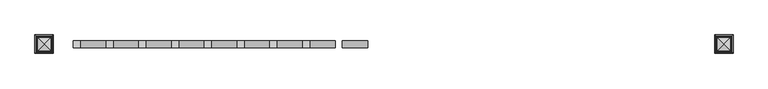
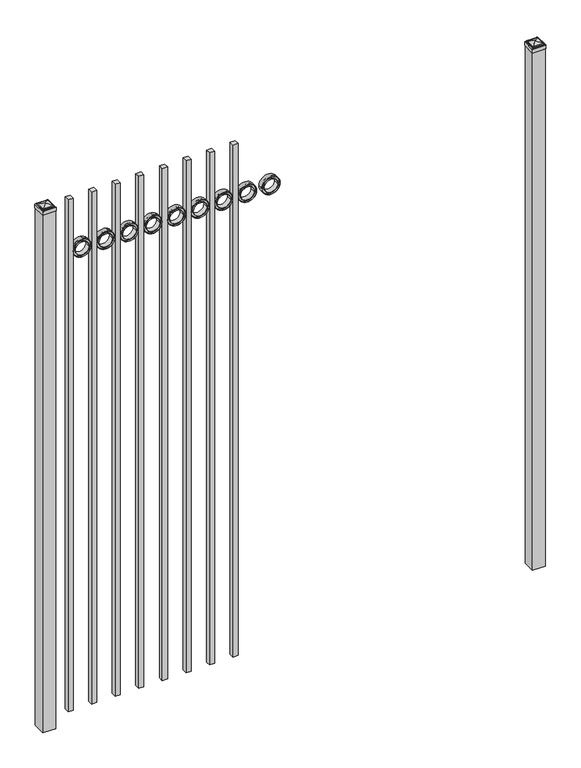
"""IFC4 building model written with IfcOpenShell, lengths in millimetres: railing geometry."""

from ifc_helpers import new_model, si_unit, point, frame, frame_2d, origin, origin_with_axes, place, context, project, spatial, polyline, circle_curve, ellipse_curve, trimmed, segment, composite_curve, outline, extrude, source, transform, mapped, element, save
from ifc_brep_helpers import plane_surface, cylinder_surface, advanced_brep


def railing_2a1493ac(model_context):
    return source(origin(), model_context, "Body", "SolidModel", [
        extrude(outline(composite_curve([segment(trimmed(circle_curve(frame_2d((2464.6040076, 12601.0088655)), 45.6988591), [point((2464.6040076, 12646.7077246))], [point((2464.6040076, 12555.3100064))], False, "CARTESIAN"), True, "CONTINUOUS"), segment(trimmed(circle_curve(frame_2d((2464.6040076, 12601.0088655)), 45.6988591), [point((2464.6040076, 12555.3100064))], [point((2464.6040076, 12646.7077246))], False, "CARTESIAN"), True, "CONTINUOUS")], self_intersect=False), holes=[composite_curve([segment(trimmed(circle_curve(frame_2d((2464.6040076, 12601.0088655)), 44.101539), [point((2464.6040076, 12645.1104045))], [point((2464.6040076, 12556.9073265))], True, "CARTESIAN"), True, "CONTINUOUS"), segment(trimmed(circle_curve(frame_2d((2464.6040076, 12601.0088655)), 44.101539), [point((2464.6040076, 12556.9073265))], [point((2464.6040076, 12645.1104045))], True, "CARTESIAN"), True, "CONTINUOUS")], self_intersect=False)]), frame((0.0, 5784.219541, 0.0), z_axis=(0.0, 1.0, 0.0), x_axis=(0.0, 0.0, 1.0)), (0.0, 0.0, 1.0), 25.4),
        extrude(outline(composite_curve([segment(trimmed(circle_curve(frame_2d((2464.6040076, 12601.0088655)), 34.6370762), [point((2464.6040076, 12635.6459417))], [point((2464.6040076, 12566.3717893))], False, "CARTESIAN"), True, "CONTINUOUS"), segment(trimmed(circle_curve(frame_2d((2464.6040076, 12601.0088655)), 34.6370762), [point((2464.6040076, 12566.3717893))], [point((2464.6040076, 12635.6459417))], False, "CARTESIAN"), True, "CONTINUOUS")], self_intersect=False), holes=[composite_curve([segment(trimmed(circle_curve(frame_2d((2464.6040076, 12601.0088655)), 33.0443887), [point((2464.6040076, 12634.0532542))], [point((2464.6040076, 12567.9644768))], True, "CARTESIAN"), True, "CONTINUOUS"), segment(trimmed(circle_curve(frame_2d((2464.6040076, 12601.0088655)), 33.0443887), [point((2464.6040076, 12567.9644768))], [point((2464.6040076, 12634.0532542))], True, "CARTESIAN"), True, "CONTINUOUS")], self_intersect=False)]), frame((0.0, 5784.219541, 0.0), z_axis=(0.0, 1.0, 0.0), x_axis=(0.0, 0.0, 1.0)), (0.0, 0.0, 1.0), 25.4),
        extrude(outline(composite_curve([segment(trimmed(circle_curve(frame_2d((2464.6040076, 12601.0088655)), 45.6988591), [point((2464.6040076, 12646.7077246))], [point((2464.6040076, 12555.3100064))], False, "CARTESIAN"), True, "CONTINUOUS"), segment(trimmed(circle_curve(frame_2d((2464.6040076, 12601.0088655)), 45.6988591), [point((2464.6040076, 12555.3100064))], [point((2464.6040076, 12646.7077246))], False, "CARTESIAN"), True, "CONTINUOUS")], self_intersect=False), holes=[composite_curve([segment(trimmed(circle_curve(frame_2d((2464.6040076, 12601.0088655)), 33.0443887), [point((2464.6040076, 12634.0532542))], [point((2464.6040076, 12567.9644768))], True, "CARTESIAN"), True, "CONTINUOUS"), segment(trimmed(circle_curve(frame_2d((2464.6040076, 12601.0088655)), 33.0443887), [point((2464.6040076, 12567.9644768))], [point((2464.6040076, 12634.0532542))], True, "CARTESIAN"), True, "CONTINUOUS")], self_intersect=False)]), frame((0.0, 5790.569541, 0.0), z_axis=(0.0, 1.0, 0.0), x_axis=(0.0, 0.0, 1.0)), (0.0, 0.0, 1.0), 12.7),
        extrude(outline(polyline([(12412.4350064, 5809.619541), (12437.8350064, 5809.619541), (12437.8350064, 5784.219541), (12412.4350064, 5784.219541), (12412.4350064, 5809.619541)])), frame((0.0, 0.0, 50.8), z_axis=(0.0, 0.0, 1.0), x_axis=(1.0, 0.0, 0.0)), (0.0, 0.0, 1.0), 2692.4),
        extrude(outline(composite_curve([segment(trimmed(circle_curve(frame_2d((2464.6040076, 12483.5338655)), 45.6988591), [point((2464.6040076, 12529.2327246))], [point((2464.6040076, 12437.8350064))], False, "CARTESIAN"), True, "CONTINUOUS"), segment(trimmed(circle_curve(frame_2d((2464.6040076, 12483.5338655)), 45.6988591), [point((2464.6040076, 12437.8350064))], [point((2464.6040076, 12529.2327246))], False, "CARTESIAN"), True, "CONTINUOUS")], self_intersect=False), holes=[composite_curve([segment(trimmed(circle_curve(frame_2d((2464.6040076, 12483.5338655)), 44.101539), [point((2464.6040076, 12527.6354045))], [point((2464.6040076, 12439.4323265))], True, "CARTESIAN"), True, "CONTINUOUS"), segment(trimmed(circle_curve(frame_2d((2464.6040076, 12483.5338655)), 44.101539), [point((2464.6040076, 12439.4323265))], [point((2464.6040076, 12527.6354045))], True, "CARTESIAN"), True, "CONTINUOUS")], self_intersect=False)]), frame((0.0, 5784.219541, 0.0), z_axis=(0.0, 1.0, 0.0), x_axis=(0.0, 0.0, 1.0)), (0.0, 0.0, 1.0), 25.4),
        extrude(outline(composite_curve([segment(trimmed(circle_curve(frame_2d((2464.6040076, 12483.5338655)), 34.6370762), [point((2464.6040076, 12518.1709417))], [point((2464.6040076, 12448.8967893))], False, "CARTESIAN"), True, "CONTINUOUS"), segment(trimmed(circle_curve(frame_2d((2464.6040076, 12483.5338655)), 34.6370762), [point((2464.6040076, 12448.8967893))], [point((2464.6040076, 12518.1709417))], False, "CARTESIAN"), True, "CONTINUOUS")], self_intersect=False), holes=[composite_curve([segment(trimmed(circle_curve(frame_2d((2464.6040076, 12483.5338655)), 33.0443887), [point((2464.6040076, 12516.5782542))], [point((2464.6040076, 12450.4894768))], True, "CARTESIAN"), True, "CONTINUOUS"), segment(trimmed(circle_curve(frame_2d((2464.6040076, 12483.5338655)), 33.0443887), [point((2464.6040076, 12450.4894768))], [point((2464.6040076, 12516.5782542))], True, "CARTESIAN"), True, "CONTINUOUS")], self_intersect=False)]), frame((0.0, 5784.219541, 0.0), z_axis=(0.0, 1.0, 0.0), x_axis=(0.0, 0.0, 1.0)), (0.0, 0.0, 1.0), 25.4),
        extrude(outline(composite_curve([segment(trimmed(circle_curve(frame_2d((2464.6040076, 12483.5338655)), 45.6988591), [point((2464.6040076, 12529.2327246))], [point((2464.6040076, 12437.8350064))], False, "CARTESIAN"), True, "CONTINUOUS"), segment(trimmed(circle_curve(frame_2d((2464.6040076, 12483.5338655)), 45.6988591), [point((2464.6040076, 12437.8350064))], [point((2464.6040076, 12529.2327246))], False, "CARTESIAN"), True, "CONTINUOUS")], self_intersect=False), holes=[composite_curve([segment(trimmed(circle_curve(frame_2d((2464.6040076, 12483.5338655)), 33.0443887), [point((2464.6040076, 12516.5782542))], [point((2464.6040076, 12450.4894768))], True, "CARTESIAN"), True, "CONTINUOUS"), segment(trimmed(circle_curve(frame_2d((2464.6040076, 12483.5338655)), 33.0443887), [point((2464.6040076, 12450.4894768))], [point((2464.6040076, 12516.5782542))], True, "CARTESIAN"), True, "CONTINUOUS")], self_intersect=False)]), frame((0.0, 5790.569541, 0.0), z_axis=(0.0, 1.0, 0.0), x_axis=(0.0, 0.0, 1.0)), (0.0, 0.0, 1.0), 12.7),
        extrude(outline(polyline([(12294.9600064, 5809.619541), (12320.3600064, 5809.619541), (12320.3600064, 5784.219541), (12294.9600064, 5784.219541), (12294.9600064, 5809.619541)])), frame((0.0, 0.0, 50.8), z_axis=(0.0, 0.0, 1.0), x_axis=(1.0, 0.0, 0.0)), (0.0, 0.0, 1.0), 2692.4),
        extrude(outline(composite_curve([segment(trimmed(circle_curve(frame_2d((2464.6040076, 12366.0588655)), 45.6988591), [point((2464.6040076, 12411.7577246))], [point((2464.6040076, 12320.3600064))], False, "CARTESIAN"), True, "CONTINUOUS"), segment(trimmed(circle_curve(frame_2d((2464.6040076, 12366.0588655)), 45.6988591), [point((2464.6040076, 12320.3600064))], [point((2464.6040076, 12411.7577246))], False, "CARTESIAN"), True, "CONTINUOUS")], self_intersect=False), holes=[composite_curve([segment(trimmed(circle_curve(frame_2d((2464.6040076, 12366.0588655)), 44.101539), [point((2464.6040076, 12410.1604045))], [point((2464.6040076, 12321.9573265))], True, "CARTESIAN"), True, "CONTINUOUS"), segment(trimmed(circle_curve(frame_2d((2464.6040076, 12366.0588655)), 44.101539), [point((2464.6040076, 12321.9573265))], [point((2464.6040076, 12410.1604045))], True, "CARTESIAN"), True, "CONTINUOUS")], self_intersect=False)]), frame((0.0, 5784.219541, 0.0), z_axis=(0.0, 1.0, 0.0), x_axis=(0.0, 0.0, 1.0)), (0.0, 0.0, 1.0), 25.4),
        extrude(outline(composite_curve([segment(trimmed(circle_curve(frame_2d((2464.6040076, 12366.0588655)), 34.6370762), [point((2464.6040076, 12400.6959417))], [point((2464.6040076, 12331.4217893))], False, "CARTESIAN"), True, "CONTINUOUS"), segment(trimmed(circle_curve(frame_2d((2464.6040076, 12366.0588655)), 34.6370762), [point((2464.6040076, 12331.4217893))], [point((2464.6040076, 12400.6959417))], False, "CARTESIAN"), True, "CONTINUOUS")], self_intersect=False), holes=[composite_curve([segment(trimmed(circle_curve(frame_2d((2464.6040076, 12366.0588655)), 33.0443887), [point((2464.6040076, 12399.1032542))], [point((2464.6040076, 12333.0144768))], True, "CARTESIAN"), True, "CONTINUOUS"), segment(trimmed(circle_curve(frame_2d((2464.6040076, 12366.0588655)), 33.0443887), [point((2464.6040076, 12333.0144768))], [point((2464.6040076, 12399.1032542))], True, "CARTESIAN"), True, "CONTINUOUS")], self_intersect=False)]), frame((0.0, 5784.219541, 0.0), z_axis=(0.0, 1.0, 0.0), x_axis=(0.0, 0.0, 1.0)), (0.0, 0.0, 1.0), 25.4),
        extrude(outline(composite_curve([segment(trimmed(circle_curve(frame_2d((2464.6040076, 12366.0588655)), 45.6988591), [point((2464.6040076, 12411.7577246))], [point((2464.6040076, 12320.3600064))], False, "CARTESIAN"), True, "CONTINUOUS"), segment(trimmed(circle_curve(frame_2d((2464.6040076, 12366.0588655)), 45.6988591), [point((2464.6040076, 12320.3600064))], [point((2464.6040076, 12411.7577246))], False, "CARTESIAN"), True, "CONTINUOUS")], self_intersect=False), holes=[composite_curve([segment(trimmed(circle_curve(frame_2d((2464.6040076, 12366.0588655)), 33.0443887), [point((2464.6040076, 12399.1032542))], [point((2464.6040076, 12333.0144768))], True, "CARTESIAN"), True, "CONTINUOUS"), segment(trimmed(circle_curve(frame_2d((2464.6040076, 12366.0588655)), 33.0443887), [point((2464.6040076, 12333.0144768))], [point((2464.6040076, 12399.1032542))], True, "CARTESIAN"), True, "CONTINUOUS")], self_intersect=False)]), frame((0.0, 5790.569541, 0.0), z_axis=(0.0, 1.0, 0.0), x_axis=(0.0, 0.0, 1.0)), (0.0, 0.0, 1.0), 12.7),
        extrude(outline(polyline([(12177.4850064, 5809.619541), (12202.8850064, 5809.619541), (12202.8850064, 5784.219541), (12177.4850064, 5784.219541), (12177.4850064, 5809.619541)])), frame((0.0, 0.0, 50.8), z_axis=(0.0, 0.0, 1.0), x_axis=(1.0, 0.0, 0.0)), (0.0, 0.0, 1.0), 2692.4),
        extrude(outline(composite_curve([segment(trimmed(circle_curve(frame_2d((2464.6040076, 12248.5838655)), 45.6988591), [point((2464.6040076, 12294.2827246))], [point((2464.6040076, 12202.8850064))], False, "CARTESIAN"), True, "CONTINUOUS"), segment(trimmed(circle_curve(frame_2d((2464.6040076, 12248.5838655)), 45.6988591), [point((2464.6040076, 12202.8850064))], [point((2464.6040076, 12294.2827246))], False, "CARTESIAN"), True, "CONTINUOUS")], self_intersect=False), holes=[composite_curve([segment(trimmed(circle_curve(frame_2d((2464.6040076, 12248.5838655)), 44.101539), [point((2464.6040076, 12292.6854045))], [point((2464.6040076, 12204.4823265))], True, "CARTESIAN"), True, "CONTINUOUS"), segment(trimmed(circle_curve(frame_2d((2464.6040076, 12248.5838655)), 44.101539), [point((2464.6040076, 12204.4823265))], [point((2464.6040076, 12292.6854045))], True, "CARTESIAN"), True, "CONTINUOUS")], self_intersect=False)]), frame((0.0, 5784.219541, 0.0), z_axis=(0.0, 1.0, 0.0), x_axis=(0.0, 0.0, 1.0)), (0.0, 0.0, 1.0), 25.4),
        extrude(outline(composite_curve([segment(trimmed(circle_curve(frame_2d((2464.6040076, 12248.5838655)), 34.6370762), [point((2464.6040076, 12283.2209417))], [point((2464.6040076, 12213.9467893))], False, "CARTESIAN"), True, "CONTINUOUS"), segment(trimmed(circle_curve(frame_2d((2464.6040076, 12248.5838655)), 34.6370762), [point((2464.6040076, 12213.9467893))], [point((2464.6040076, 12283.2209417))], False, "CARTESIAN"), True, "CONTINUOUS")], self_intersect=False), holes=[composite_curve([segment(trimmed(circle_curve(frame_2d((2464.6040076, 12248.5838655)), 33.0443887), [point((2464.6040076, 12281.6282542))], [point((2464.6040076, 12215.5394768))], True, "CARTESIAN"), True, "CONTINUOUS"), segment(trimmed(circle_curve(frame_2d((2464.6040076, 12248.5838655)), 33.0443887), [point((2464.6040076, 12215.5394768))], [point((2464.6040076, 12281.6282542))], True, "CARTESIAN"), True, "CONTINUOUS")], self_intersect=False)]), frame((0.0, 5784.219541, 0.0), z_axis=(0.0, 1.0, 0.0), x_axis=(0.0, 0.0, 1.0)), (0.0, 0.0, 1.0), 25.4),
        extrude(outline(composite_curve([segment(trimmed(circle_curve(frame_2d((2464.6040076, 12248.5838655)), 45.6988591), [point((2464.6040076, 12294.2827246))], [point((2464.6040076, 12202.8850064))], False, "CARTESIAN"), True, "CONTINUOUS"), segment(trimmed(circle_curve(frame_2d((2464.6040076, 12248.5838655)), 45.6988591), [point((2464.6040076, 12202.8850064))], [point((2464.6040076, 12294.2827246))], False, "CARTESIAN"), True, "CONTINUOUS")], self_intersect=False), holes=[composite_curve([segment(trimmed(circle_curve(frame_2d((2464.6040076, 12248.5838655)), 33.0443887), [point((2464.6040076, 12281.6282542))], [point((2464.6040076, 12215.5394768))], True, "CARTESIAN"), True, "CONTINUOUS"), segment(trimmed(circle_curve(frame_2d((2464.6040076, 12248.5838655)), 33.0443887), [point((2464.6040076, 12215.5394768))], [point((2464.6040076, 12281.6282542))], True, "CARTESIAN"), True, "CONTINUOUS")], self_intersect=False)]), frame((0.0, 5790.569541, 0.0), z_axis=(0.0, 1.0, 0.0), x_axis=(0.0, 0.0, 1.0)), (0.0, 0.0, 1.0), 12.7),
        extrude(outline(polyline([(12060.0100064, 5809.619541), (12085.4100064, 5809.619541), (12085.4100064, 5784.219541), (12060.0100064, 5784.219541), (12060.0100064, 5809.619541)])), frame((0.0, 0.0, 50.8), z_axis=(0.0, 0.0, 1.0), x_axis=(1.0, 0.0, 0.0)), (0.0, 0.0, 1.0), 2692.4),
        extrude(outline(composite_curve([segment(trimmed(circle_curve(frame_2d((2464.6040076, 12131.1088655)), 45.6988591), [point((2464.6040076, 12176.8077246))], [point((2464.6040076, 12085.4100064))], False, "CARTESIAN"), True, "CONTINUOUS"), segment(trimmed(circle_curve(frame_2d((2464.6040076, 12131.1088655)), 45.6988591), [point((2464.6040076, 12085.4100064))], [point((2464.6040076, 12176.8077246))], False, "CARTESIAN"), True, "CONTINUOUS")], self_intersect=False), holes=[composite_curve([segment(trimmed(circle_curve(frame_2d((2464.6040076, 12131.1088655)), 44.101539), [point((2464.6040076, 12175.2104045))], [point((2464.6040076, 12087.0073265))], True, "CARTESIAN"), True, "CONTINUOUS"), segment(trimmed(circle_curve(frame_2d((2464.6040076, 12131.1088655)), 44.101539), [point((2464.6040076, 12087.0073265))], [point((2464.6040076, 12175.2104045))], True, "CARTESIAN"), True, "CONTINUOUS")], self_intersect=False)]), frame((0.0, 5784.219541, 0.0), z_axis=(0.0, 1.0, 0.0), x_axis=(0.0, 0.0, 1.0)), (0.0, 0.0, 1.0), 25.4),
        extrude(outline(composite_curve([segment(trimmed(circle_curve(frame_2d((2464.6040076, 12131.1088655)), 34.6370762), [point((2464.6040076, 12165.7459417))], [point((2464.6040076, 12096.4717893))], False, "CARTESIAN"), True, "CONTINUOUS"), segment(trimmed(circle_curve(frame_2d((2464.6040076, 12131.1088655)), 34.6370762), [point((2464.6040076, 12096.4717893))], [point((2464.6040076, 12165.7459417))], False, "CARTESIAN"), True, "CONTINUOUS")], self_intersect=False), holes=[composite_curve([segment(trimmed(circle_curve(frame_2d((2464.6040076, 12131.1088655)), 33.0443887), [point((2464.6040076, 12164.1532542))], [point((2464.6040076, 12098.0644768))], True, "CARTESIAN"), True, "CONTINUOUS"), segment(trimmed(circle_curve(frame_2d((2464.6040076, 12131.1088655)), 33.0443887), [point((2464.6040076, 12098.0644768))], [point((2464.6040076, 12164.1532542))], True, "CARTESIAN"), True, "CONTINUOUS")], self_intersect=False)]), frame((0.0, 5784.219541, 0.0), z_axis=(0.0, 1.0, 0.0), x_axis=(0.0, 0.0, 1.0)), (0.0, 0.0, 1.0), 25.4),
        extrude(outline(composite_curve([segment(trimmed(circle_curve(frame_2d((2464.6040076, 12131.1088655)), 45.6988591), [point((2464.6040076, 12176.8077246))], [point((2464.6040076, 12085.4100064))], False, "CARTESIAN"), True, "CONTINUOUS"), segment(trimmed(circle_curve(frame_2d((2464.6040076, 12131.1088655)), 45.6988591), [point((2464.6040076, 12085.4100064))], [point((2464.6040076, 12176.8077246))], False, "CARTESIAN"), True, "CONTINUOUS")], self_intersect=False), holes=[composite_curve([segment(trimmed(circle_curve(frame_2d((2464.6040076, 12131.1088655)), 33.0443887), [point((2464.6040076, 12164.1532542))], [point((2464.6040076, 12098.0644768))], True, "CARTESIAN"), True, "CONTINUOUS"), segment(trimmed(circle_curve(frame_2d((2464.6040076, 12131.1088655)), 33.0443887), [point((2464.6040076, 12098.0644768))], [point((2464.6040076, 12164.1532542))], True, "CARTESIAN"), True, "CONTINUOUS")], self_intersect=False)]), frame((0.0, 5790.569541, 0.0), z_axis=(0.0, 1.0, 0.0), x_axis=(0.0, 0.0, 1.0)), (0.0, 0.0, 1.0), 12.7),
        extrude(outline(polyline([(11942.5350064, 5809.619541), (11967.9350064, 5809.619541), (11967.9350064, 5784.219541), (11942.5350064, 5784.219541), (11942.5350064, 5809.619541)])), frame((0.0, 0.0, 50.8), z_axis=(0.0, 0.0, 1.0), x_axis=(1.0, 0.0, 0.0)), (0.0, 0.0, 1.0), 2692.4),
        extrude(outline(composite_curve([segment(trimmed(circle_curve(frame_2d((2464.6040076, 12013.6338655)), 45.6988591), [point((2464.6040076, 12059.3327246))], [point((2464.6040076, 11967.9350064))], False, "CARTESIAN"), True, "CONTINUOUS"), segment(trimmed(circle_curve(frame_2d((2464.6040076, 12013.6338655)), 45.6988591), [point((2464.6040076, 11967.9350064))], [point((2464.6040076, 12059.3327246))], False, "CARTESIAN"), True, "CONTINUOUS")], self_intersect=False), holes=[composite_curve([segment(trimmed(circle_curve(frame_2d((2464.6040076, 12013.6338655)), 44.101539), [point((2464.6040076, 12057.7354045))], [point((2464.6040076, 11969.5323265))], True, "CARTESIAN"), True, "CONTINUOUS"), segment(trimmed(circle_curve(frame_2d((2464.6040076, 12013.6338655)), 44.101539), [point((2464.6040076, 11969.5323265))], [point((2464.6040076, 12057.7354045))], True, "CARTESIAN"), True, "CONTINUOUS")], self_intersect=False)]), frame((0.0, 5784.219541, 0.0), z_axis=(0.0, 1.0, 0.0), x_axis=(0.0, 0.0, 1.0)), (0.0, 0.0, 1.0), 25.4),
        extrude(outline(composite_curve([segment(trimmed(circle_curve(frame_2d((2464.6040076, 12013.6338655)), 34.6370762), [point((2464.6040076, 12048.2709417))], [point((2464.6040076, 11978.9967893))], False, "CARTESIAN"), True, "CONTINUOUS"), segment(trimmed(circle_curve(frame_2d((2464.6040076, 12013.6338655)), 34.6370762), [point((2464.6040076, 11978.9967893))], [point((2464.6040076, 12048.2709417))], False, "CARTESIAN"), True, "CONTINUOUS")], self_intersect=False), holes=[composite_curve([segment(trimmed(circle_curve(frame_2d((2464.6040076, 12013.6338655)), 33.0443887), [point((2464.6040076, 12046.6782542))], [point((2464.6040076, 11980.5894768))], True, "CARTESIAN"), True, "CONTINUOUS"), segment(trimmed(circle_curve(frame_2d((2464.6040076, 12013.6338655)), 33.0443887), [point((2464.6040076, 11980.5894768))], [point((2464.6040076, 12046.6782542))], True, "CARTESIAN"), True, "CONTINUOUS")], self_intersect=False)]), frame((0.0, 5784.219541, 0.0), z_axis=(0.0, 1.0, 0.0), x_axis=(0.0, 0.0, 1.0)), (0.0, 0.0, 1.0), 25.4),
        extrude(outline(composite_curve([segment(trimmed(circle_curve(frame_2d((2464.6040076, 12013.6338655)), 45.6988591), [point((2464.6040076, 12059.3327246))], [point((2464.6040076, 11967.9350064))], False, "CARTESIAN"), True, "CONTINUOUS"), segment(trimmed(circle_curve(frame_2d((2464.6040076, 12013.6338655)), 45.6988591), [point((2464.6040076, 11967.9350064))], [point((2464.6040076, 12059.3327246))], False, "CARTESIAN"), True, "CONTINUOUS")], self_intersect=False), holes=[composite_curve([segment(trimmed(circle_curve(frame_2d((2464.6040076, 12013.6338655)), 33.0443887), [point((2464.6040076, 12046.6782542))], [point((2464.6040076, 11980.5894768))], True, "CARTESIAN"), True, "CONTINUOUS"), segment(trimmed(circle_curve(frame_2d((2464.6040076, 12013.6338655)), 33.0443887), [point((2464.6040076, 11980.5894768))], [point((2464.6040076, 12046.6782542))], True, "CARTESIAN"), True, "CONTINUOUS")], self_intersect=False)]), frame((0.0, 5790.569541, 0.0), z_axis=(0.0, 1.0, 0.0), x_axis=(0.0, 0.0, 1.0)), (0.0, 0.0, 1.0), 12.7),
        extrude(outline(polyline([(11825.0600064, 5809.619541), (11850.4600064, 5809.619541), (11850.4600064, 5784.219541), (11825.0600064, 5784.219541), (11825.0600064, 5809.619541)])), frame((0.0, 0.0, 50.8), z_axis=(0.0, 0.0, 1.0), x_axis=(1.0, 0.0, 0.0)), (0.0, 0.0, 1.0), 2692.4),
        extrude(outline(composite_curve([segment(trimmed(circle_curve(frame_2d((2464.6040076, 11896.1588655)), 45.6988591), [point((2464.6040076, 11941.8577246))], [point((2464.6040076, 11850.4600064))], False, "CARTESIAN"), True, "CONTINUOUS"), segment(trimmed(circle_curve(frame_2d((2464.6040076, 11896.1588655)), 45.6988591), [point((2464.6040076, 11850.4600064))], [point((2464.6040076, 11941.8577246))], False, "CARTESIAN"), True, "CONTINUOUS")], self_intersect=False), holes=[composite_curve([segment(trimmed(circle_curve(frame_2d((2464.6040076, 11896.1588655)), 44.101539), [point((2464.6040076, 11940.2604045))], [point((2464.6040076, 11852.0573265))], True, "CARTESIAN"), True, "CONTINUOUS"), segment(trimmed(circle_curve(frame_2d((2464.6040076, 11896.1588655)), 44.101539), [point((2464.6040076, 11852.0573265))], [point((2464.6040076, 11940.2604045))], True, "CARTESIAN"), True, "CONTINUOUS")], self_intersect=False)]), frame((0.0, 5784.219541, 0.0), z_axis=(0.0, 1.0, 0.0), x_axis=(0.0, 0.0, 1.0)), (0.0, 0.0, 1.0), 25.4),
        extrude(outline(composite_curve([segment(trimmed(circle_curve(frame_2d((2464.6040076, 11896.1588655)), 34.6370762), [point((2464.6040076, 11930.7959417))], [point((2464.6040076, 11861.5217893))], False, "CARTESIAN"), True, "CONTINUOUS"), segment(trimmed(circle_curve(frame_2d((2464.6040076, 11896.1588655)), 34.6370762), [point((2464.6040076, 11861.5217893))], [point((2464.6040076, 11930.7959417))], False, "CARTESIAN"), True, "CONTINUOUS")], self_intersect=False), holes=[composite_curve([segment(trimmed(circle_curve(frame_2d((2464.6040076, 11896.1588655)), 33.0443887), [point((2464.6040076, 11929.2032542))], [point((2464.6040076, 11863.1144768))], True, "CARTESIAN"), True, "CONTINUOUS"), segment(trimmed(circle_curve(frame_2d((2464.6040076, 11896.1588655)), 33.0443887), [point((2464.6040076, 11863.1144768))], [point((2464.6040076, 11929.2032542))], True, "CARTESIAN"), True, "CONTINUOUS")], self_intersect=False)]), frame((0.0, 5784.219541, 0.0), z_axis=(0.0, 1.0, 0.0), x_axis=(0.0, 0.0, 1.0)), (0.0, 0.0, 1.0), 25.4),
        extrude(outline(composite_curve([segment(trimmed(circle_curve(frame_2d((2464.6040076, 11896.1588655)), 45.6988591), [point((2464.6040076, 11941.8577246))], [point((2464.6040076, 11850.4600064))], False, "CARTESIAN"), True, "CONTINUOUS"), segment(trimmed(circle_curve(frame_2d((2464.6040076, 11896.1588655)), 45.6988591), [point((2464.6040076, 11850.4600064))], [point((2464.6040076, 11941.8577246))], False, "CARTESIAN"), True, "CONTINUOUS")], self_intersect=False), holes=[composite_curve([segment(trimmed(circle_curve(frame_2d((2464.6040076, 11896.1588655)), 33.0443887), [point((2464.6040076, 11929.2032542))], [point((2464.6040076, 11863.1144768))], True, "CARTESIAN"), True, "CONTINUOUS"), segment(trimmed(circle_curve(frame_2d((2464.6040076, 11896.1588655)), 33.0443887), [point((2464.6040076, 11863.1144768))], [point((2464.6040076, 11929.2032542))], True, "CARTESIAN"), True, "CONTINUOUS")], self_intersect=False)]), frame((0.0, 5790.569541, 0.0), z_axis=(0.0, 1.0, 0.0), x_axis=(0.0, 0.0, 1.0)), (0.0, 0.0, 1.0), 12.7),
        extrude(outline(polyline([(11707.5850064, 5809.619541), (11732.9850064, 5809.619541), (11732.9850064, 5784.219541), (11707.5850064, 5784.219541), (11707.5850064, 5809.619541)])), frame((0.0, 0.0, 50.8), z_axis=(0.0, 0.0, 1.0), x_axis=(1.0, 0.0, 0.0)), (0.0, 0.0, 1.0), 2692.4),
        extrude(outline(composite_curve([segment(trimmed(circle_curve(frame_2d((2464.6040076, 11778.6838655)), 45.6988591), [point((2464.6040076, 11824.3827246))], [point((2464.6040076, 11732.9850064))], False, "CARTESIAN"), True, "CONTINUOUS"), segment(trimmed(circle_curve(frame_2d((2464.6040076, 11778.6838655)), 45.6988591), [point((2464.6040076, 11732.9850064))], [point((2464.6040076, 11824.3827246))], False, "CARTESIAN"), True, "CONTINUOUS")], self_intersect=False), holes=[composite_curve([segment(trimmed(circle_curve(frame_2d((2464.6040076, 11778.6838655)), 44.101539), [point((2464.6040076, 11822.7854045))], [point((2464.6040076, 11734.5823265))], True, "CARTESIAN"), True, "CONTINUOUS"), segment(trimmed(circle_curve(frame_2d((2464.6040076, 11778.6838655)), 44.101539), [point((2464.6040076, 11734.5823265))], [point((2464.6040076, 11822.7854045))], True, "CARTESIAN"), True, "CONTINUOUS")], self_intersect=False)]), frame((0.0, 5784.219541, 0.0), z_axis=(0.0, 1.0, 0.0), x_axis=(0.0, 0.0, 1.0)), (0.0, 0.0, 1.0), 25.4),
        extrude(outline(composite_curve([segment(trimmed(circle_curve(frame_2d((2464.6040076, 11778.6838655)), 34.6370762), [point((2464.6040076, 11813.3209417))], [point((2464.6040076, 11744.0467893))], False, "CARTESIAN"), True, "CONTINUOUS"), segment(trimmed(circle_curve(frame_2d((2464.6040076, 11778.6838655)), 34.6370762), [point((2464.6040076, 11744.0467893))], [point((2464.6040076, 11813.3209417))], False, "CARTESIAN"), True, "CONTINUOUS")], self_intersect=False), holes=[composite_curve([segment(trimmed(circle_curve(frame_2d((2464.6040076, 11778.6838655)), 33.0443887), [point((2464.6040076, 11811.7282542))], [point((2464.6040076, 11745.6394768))], True, "CARTESIAN"), True, "CONTINUOUS"), segment(trimmed(circle_curve(frame_2d((2464.6040076, 11778.6838655)), 33.0443887), [point((2464.6040076, 11745.6394768))], [point((2464.6040076, 11811.7282542))], True, "CARTESIAN"), True, "CONTINUOUS")], self_intersect=False)]), frame((0.0, 5784.219541, 0.0), z_axis=(0.0, 1.0, 0.0), x_axis=(0.0, 0.0, 1.0)), (0.0, 0.0, 1.0), 25.4),
        extrude(outline(composite_curve([segment(trimmed(circle_curve(frame_2d((2464.6040076, 11778.6838655)), 45.6988591), [point((2464.6040076, 11824.3827246))], [point((2464.6040076, 11732.9850064))], False, "CARTESIAN"), True, "CONTINUOUS"), segment(trimmed(circle_curve(frame_2d((2464.6040076, 11778.6838655)), 45.6988591), [point((2464.6040076, 11732.9850064))], [point((2464.6040076, 11824.3827246))], False, "CARTESIAN"), True, "CONTINUOUS")], self_intersect=False), holes=[composite_curve([segment(trimmed(circle_curve(frame_2d((2464.6040076, 11778.6838655)), 33.0443887), [point((2464.6040076, 11811.7282542))], [point((2464.6040076, 11745.6394768))], True, "CARTESIAN"), True, "CONTINUOUS"), segment(trimmed(circle_curve(frame_2d((2464.6040076, 11778.6838655)), 33.0443887), [point((2464.6040076, 11745.6394768))], [point((2464.6040076, 11811.7282542))], True, "CARTESIAN"), True, "CONTINUOUS")], self_intersect=False)]), frame((0.0, 5790.569541, 0.0), z_axis=(0.0, 1.0, 0.0), x_axis=(0.0, 0.0, 1.0)), (0.0, 0.0, 1.0), 12.7),
        extrude(outline(polyline([(11590.1100064, 5809.619541), (11615.5100064, 5809.619541), (11615.5100064, 5784.219541), (11590.1100064, 5784.219541), (11590.1100064, 5809.619541)])), frame((0.0, 0.0, 50.8), z_axis=(0.0, 0.0, 1.0), x_axis=(1.0, 0.0, 0.0)), (0.0, 0.0, 1.0), 2692.4),
        extrude(outline(composite_curve([segment(trimmed(circle_curve(frame_2d((2464.6040076, 11661.2088655)), 45.6988591), [point((2464.6040076, 11706.9077246))], [point((2464.6040076, 11615.5100064))], False, "CARTESIAN"), True, "CONTINUOUS"), segment(trimmed(circle_curve(frame_2d((2464.6040076, 11661.2088655)), 45.6988591), [point((2464.6040076, 11615.5100064))], [point((2464.6040076, 11706.9077246))], False, "CARTESIAN"), True, "CONTINUOUS")], self_intersect=False), holes=[composite_curve([segment(trimmed(circle_curve(frame_2d((2464.6040076, 11661.2088655)), 44.101539), [point((2464.6040076, 11705.3104045))], [point((2464.6040076, 11617.1073265))], True, "CARTESIAN"), True, "CONTINUOUS"), segment(trimmed(circle_curve(frame_2d((2464.6040076, 11661.2088655)), 44.101539), [point((2464.6040076, 11617.1073265))], [point((2464.6040076, 11705.3104045))], True, "CARTESIAN"), True, "CONTINUOUS")], self_intersect=False)]), frame((0.0, 5784.219541, 0.0), z_axis=(0.0, 1.0, 0.0), x_axis=(0.0, 0.0, 1.0)), (0.0, 0.0, 1.0), 25.4),
        extrude(outline(composite_curve([segment(trimmed(circle_curve(frame_2d((2464.6040076, 11661.2088655)), 34.6370762), [point((2464.6040076, 11695.8459417))], [point((2464.6040076, 11626.5717893))], False, "CARTESIAN"), True, "CONTINUOUS"), segment(trimmed(circle_curve(frame_2d((2464.6040076, 11661.2088655)), 34.6370762), [point((2464.6040076, 11626.5717893))], [point((2464.6040076, 11695.8459417))], False, "CARTESIAN"), True, "CONTINUOUS")], self_intersect=False), holes=[composite_curve([segment(trimmed(circle_curve(frame_2d((2464.6040076, 11661.2088655)), 33.0443887), [point((2464.6040076, 11694.2532542))], [point((2464.6040076, 11628.1644768))], True, "CARTESIAN"), True, "CONTINUOUS"), segment(trimmed(circle_curve(frame_2d((2464.6040076, 11661.2088655)), 33.0443887), [point((2464.6040076, 11628.1644768))], [point((2464.6040076, 11694.2532542))], True, "CARTESIAN"), True, "CONTINUOUS")], self_intersect=False)]), frame((0.0, 5784.219541, 0.0), z_axis=(0.0, 1.0, 0.0), x_axis=(0.0, 0.0, 1.0)), (0.0, 0.0, 1.0), 25.4),
        extrude(outline(composite_curve([segment(trimmed(circle_curve(frame_2d((2464.6040076, 11661.2088655)), 45.6988591), [point((2464.6040076, 11706.9077246))], [point((2464.6040076, 11615.5100064))], False, "CARTESIAN"), True, "CONTINUOUS"), segment(trimmed(circle_curve(frame_2d((2464.6040076, 11661.2088655)), 45.6988591), [point((2464.6040076, 11615.5100064))], [point((2464.6040076, 11706.9077246))], False, "CARTESIAN"), True, "CONTINUOUS")], self_intersect=False), holes=[composite_curve([segment(trimmed(circle_curve(frame_2d((2464.6040076, 11661.2088655)), 33.0443887), [point((2464.6040076, 11694.2532542))], [point((2464.6040076, 11628.1644768))], True, "CARTESIAN"), True, "CONTINUOUS"), segment(trimmed(circle_curve(frame_2d((2464.6040076, 11661.2088655)), 33.0443887), [point((2464.6040076, 11628.1644768))], [point((2464.6040076, 11694.2532542))], True, "CARTESIAN"), True, "CONTINUOUS")], self_intersect=False)]), frame((0.0, 5790.569541, 0.0), z_axis=(0.0, 1.0, 0.0), x_axis=(0.0, 0.0, 1.0)), (0.0, 0.0, 1.0), 12.7),
        extrude(outline(polyline([(13955.4850064, 5828.669541), (13955.4850064, 5765.169541), (13891.9850064, 5765.169541), (13891.9850064, 5828.669541), (13955.4850064, 5828.669541)])), origin_with_axes(), (0.0, 0.0, 1.0), 2722.5625),
        advanced_brep(
        [(13890.3975064, 5830.257041, 2740.81875), (13890.3975064, 5830.257041, 2722.5625), (13890.3975064, 5763.582041, 2722.5625), (13890.3975064, 5763.582041, 2740.81875), (13892.7787564, 5827.875791, 2743.2), (13892.7787564, 5765.963291, 2743.2), (13895.1600064, 5825.494541, 2745.58125), (13895.1600064, 5825.494541, 2743.2), (13895.1600064, 5768.344541, 2743.2), (13895.1600064, 5768.344541, 2745.58125), (13897.5412564, 5823.113291, 2747.9625), (13897.5412564, 5770.725791, 2747.9625), (13923.7350064, 5796.919541, 2754.3125), (13899.9225064, 5820.732041, 2747.9625), (13899.9225064, 5773.107041, 2747.9625), (13957.0725064, 5763.582041, 2722.5625), (13957.0725064, 5763.582041, 2740.81875), (13954.6912564, 5765.963291, 2743.2), (13952.3100064, 5768.344541, 2743.2), (13952.3100064, 5768.344541, 2745.58125), (13949.9287564, 5770.725791, 2747.9625), (13947.5475064, 5773.107041, 2747.9625), (13957.0725064, 5830.257041, 2722.5625), (13957.0725064, 5830.257041, 2740.81875), (13954.6912564, 5827.875791, 2743.2), (13952.3100064, 5825.494541, 2743.2), (13952.3100064, 5825.494541, 2745.58125), (13949.9287564, 5823.113291, 2747.9625), (13947.5475064, 5820.732041, 2747.9625)],
        [
            (0, 1),
            (1, 2),
            (2, 3),
            (3, 0),
            (4, 0, ellipse_curve(frame((13892.7787564, 5827.875791, 2740.81875), z_axis=(-0.70710678118655, -0.7071067811865449, 0.0), x_axis=(-0.7071067811865448, 0.7071067811865501, 0.0)), 3.367596, 2.38125)),
            (3, 5, ellipse_curve(frame((13892.7787564, 5765.963291, 2740.81875), z_axis=(-0.7071067811865449, 0.70710678118655, 0.0), x_axis=(0.7071067811865499, 0.707106781186545, 0.0)), 3.367596, 2.38125)),
            (5, 4),
            (6, 7),
            (7, 8),
            (8, 9),
            (9, 6),
            (10, 6, ellipse_curve(frame((13897.5412564, 5823.113291, 2745.58125), z_axis=(-0.70710678118655, -0.7071067811865449, 0.0), x_axis=(-0.7071067811865448, 0.7071067811865501, 0.0)), 3.367596, 2.38125)),
            (9, 11, ellipse_curve(frame((13897.5412564, 5770.725791, 2745.58125), z_axis=(-0.7071067811865449, 0.70710678118655, 0.0), x_axis=(0.7071067811865499, 0.707106781186545, 0.0)), 3.367596, 2.38125)),
            (11, 10),
            (12, 13, ellipse_curve(frame((13923.7350064, 5796.919541, 2706.4890625), z_axis=(-0.70710678118655, -0.7071067811865449, 0.0), x_axis=(-0.7071067811865448, 0.7071067811865501, 0.0)), 67.6325539, 47.8234375)),
            (13, 14),
            (14, 12, ellipse_curve(frame((13923.7350064, 5796.919541, 2706.4890625), z_axis=(-0.7071067811865449, 0.70710678118655, 0.0), x_axis=(0.7071067811865499, 0.707106781186545, 0.0)), 67.6325539, 47.8234375)),
            (2, 15),
            (15, 16),
            (16, 3),
            (16, 17, ellipse_curve(frame((13954.6912564, 5765.963291, 2740.81875), z_axis=(-0.70710678118655, -0.707106781186545, 0.0), x_axis=(-0.707106781186545, 0.70710678118655, 0.0)), 3.367596, 2.38125)),
            (17, 5),
            (8, 18),
            (18, 19),
            (19, 9),
            (19, 20, ellipse_curve(frame((13949.9287564, 5770.725791, 2745.58125), z_axis=(-0.70710678118655, -0.707106781186545, 0.0), x_axis=(-0.707106781186545, 0.70710678118655, 0.0)), 3.367596, 2.38125)),
            (20, 11),
            (14, 21),
            (21, 12, ellipse_curve(frame((13923.7350064, 5796.919541, 2706.4890625), z_axis=(-0.70710678118655, -0.707106781186545, 0.0), x_axis=(-0.707106781186545, 0.70710678118655, 0.0)), 67.6325539, 47.8234375)),
            (15, 22),
            (22, 23),
            (23, 16),
            (23, 24, ellipse_curve(frame((13954.6912564, 5827.875791, 2740.81875), z_axis=(0.707106781186545, -0.7071067811865499, 0.0), x_axis=(-0.7071067811865497, -0.7071067811865452, 0.0)), 3.367596, 2.38125)),
            (24, 17),
            (18, 25),
            (25, 26),
            (26, 19),
            (26, 27, ellipse_curve(frame((13949.9287564, 5823.113291, 2745.58125), z_axis=(0.707106781186545, -0.7071067811865499, 0.0), x_axis=(-0.7071067811865497, -0.7071067811865452, 0.0)), 3.367596, 2.38125)),
            (27, 20),
            (21, 28),
            (28, 12, ellipse_curve(frame((13923.7350064, 5796.919541, 2706.4890625), z_axis=(0.707106781186545, -0.7071067811865499, 0.0), x_axis=(-0.7071067811865497, -0.7071067811865452, 0.0)), 67.6325539, 47.8234375)),
            (22, 1),
            (0, 23),
            (4, 24),
            (7, 25),
            (6, 26),
            (10, 27),
            (13, 28),
        ],
        [
            plane_surface(frame((13890.3975064, 5830.257041, 2722.5625), z_axis=(-1.0, 0.0, 0.0), x_axis=(0.0, -1.0, 0.0))),
            cylinder_surface(frame((13892.7787564, 5828.669541, 2740.81875), z_axis=(0.0, 1.0, 0.0), x_axis=(1.0, 0.0, 0.0)), 2.38125),
            plane_surface(frame((13895.1600064, 5825.494541, 2743.2), z_axis=(-1.0, 0.0, 0.0), x_axis=(0.0, -1.0, 0.0))),
            cylinder_surface(frame((13897.5412564, 5828.669541, 2745.58125), z_axis=(0.0, 1.0, 0.0), x_axis=(1.0, 0.0, 0.0)), 2.38125),
            cylinder_surface(frame((13923.7350064, 5828.669541, 2706.4890625), z_axis=(0.0, 1.0, 0.0), x_axis=(1.0, 0.0, 0.0)), 47.8234375),
            plane_surface(frame((13890.3975064, 5763.582041, 2722.5625), z_axis=(0.0, -1.0, 0.0), x_axis=(1.0, 0.0, 0.0))),
            cylinder_surface(frame((13891.9850064, 5765.963291, 2740.81875), z_axis=(-1.0, 0.0, 0.0), x_axis=(0.0, 1.0, 0.0)), 2.38125),
            plane_surface(frame((13895.1600064, 5768.344541, 2743.2), z_axis=(0.0, -1.0, 0.0), x_axis=(1.0, 0.0, 0.0))),
            cylinder_surface(frame((13891.9850064, 5770.725791, 2745.58125), z_axis=(-1.0, 0.0, 0.0), x_axis=(0.0, 1.0, 0.0)), 2.38125),
            cylinder_surface(frame((13891.9850064, 5796.919541, 2706.4890625), z_axis=(-1.0, 0.0, 0.0), x_axis=(0.0, 1.0, 0.0)), 47.8234375),
            plane_surface(frame((13957.0725064, 5763.582041, 2722.5625), z_axis=(1.0, 0.0, 0.0), x_axis=(0.0, 1.0, 0.0))),
            cylinder_surface(frame((13954.6912564, 5765.169541, 2740.81875), z_axis=(0.0, -1.0, 0.0), x_axis=(-1.0, 0.0, 0.0)), 2.38125),
            plane_surface(frame((13952.3100064, 5768.344541, 2743.2), z_axis=(1.0, 0.0, 0.0), x_axis=(0.0, 1.0, 0.0))),
            cylinder_surface(frame((13949.9287564, 5765.169541, 2745.58125), z_axis=(0.0, -1.0, 0.0), x_axis=(-1.0, 0.0, 0.0)), 2.38125),
            cylinder_surface(frame((13923.7350064, 5765.169541, 2706.4890625), z_axis=(0.0, -1.0, 0.0), x_axis=(-1.0, 0.0, 0.0)), 47.8234375),
            plane_surface(frame((13957.0725064, 5830.257041, 2722.5625), z_axis=(0.0, 1.0, 0.0), x_axis=(-1.0, 0.0, 0.0))),
            cylinder_surface(frame((13955.4850064, 5827.875791, 2740.81875), z_axis=(1.0, 0.0, 0.0), x_axis=(0.0, -1.0, 0.0)), 2.38125),
            plane_surface(frame((13954.6912564, 5827.875791, 2743.2), z_axis=(0.0, 0.0, 1.0), x_axis=(-1.0, 0.0, 0.0))),
            plane_surface(frame((13952.3100064, 5825.494541, 2743.2), z_axis=(0.0, 1.0, 0.0), x_axis=(-1.0, 0.0, 0.0))),
            cylinder_surface(frame((13955.4850064, 5823.113291, 2745.58125), z_axis=(1.0, 0.0, 0.0), x_axis=(0.0, -1.0, 0.0)), 2.38125),
            plane_surface(frame((13949.9287564, 5823.113291, 2747.9625), z_axis=(0.0, 0.0, 1.0), x_axis=(-1.0, 0.0, 0.0))),
            cylinder_surface(frame((13955.4850064, 5796.919541, 2706.4890625), z_axis=(1.0, 0.0, 0.0), x_axis=(0.0, -1.0, 0.0)), 47.8234375),
            plane_surface(frame((13923.7350064, 5796.919541, 2722.5625), z_axis=(0.0, 0.0, -1.0), x_axis=(-1.0, 0.0, 0.0))),
        ],
        [
            (0, [[1, 2, 3, 4]]),
            (1, [[5, -4, 6, 7]]),
            (2, [[8, 9, 10, 11]]),
            (3, [[12, -11, 13, 14]]),
            (4, [[15, 16, 17]]),
            (5, [[-3, 18, 19, 20]]),
            (6, [[-6, -20, 21, 22]]),
            (7, [[-10, 23, 24, 25]]),
            (8, [[-13, -25, 26, 27]]),
            (9, [[-17, 28, 29]]),
            (10, [[-19, 30, 31, 32]]),
            (11, [[-21, -32, 33, 34]]),
            (12, [[-24, 35, 36, 37]]),
            (13, [[-26, -37, 38, 39]]),
            (14, [[-29, 40, 41]]),
            (15, [[-31, 42, -1, 43]]),
            (16, [[-33, -43, -5, 44]]),
            (17, [[-22, -34, -44, -7], [45, -35, -23, -9]]),
            (18, [[-36, -45, -8, 46]]),
            (19, [[-38, -46, -12, 47]]),
            (20, [[-27, -39, -47, -14], [48, -40, -28, -16]]),
            (21, [[-41, -48, -15]]),
            (22, [[-42, -30, -18, -2]]),
        ],
    ),
        extrude(outline(polyline([(11517.0850064, 5828.669541), (11517.0850064, 5765.169541), (11453.5850064, 5765.169541), (11453.5850064, 5828.669541), (11517.0850064, 5828.669541)])), origin_with_axes(), (0.0, 0.0, 1.0), 2722.5625),
        advanced_brep(
        [(11451.9975064, 5830.257041, 2740.81875), (11451.9975064, 5830.257041, 2722.5625), (11451.9975064, 5763.582041, 2722.5625), (11451.9975064, 5763.582041, 2740.81875), (11454.3787564, 5827.875791, 2743.2), (11454.3787564, 5765.963291, 2743.2), (11456.7600064, 5825.494541, 2745.58125), (11456.7600064, 5825.494541, 2743.2), (11456.7600064, 5768.344541, 2743.2), (11456.7600064, 5768.344541, 2745.58125), (11459.1412564, 5823.113291, 2747.9625), (11459.1412564, 5770.725791, 2747.9625), (11485.3350064, 5796.919541, 2754.3125), (11461.5225064, 5820.732041, 2747.9625), (11461.5225064, 5773.107041, 2747.9625), (11518.6725064, 5763.582041, 2722.5625), (11518.6725064, 5763.582041, 2740.81875), (11516.2912564, 5765.963291, 2743.2), (11513.9100064, 5768.344541, 2743.2), (11513.9100064, 5768.344541, 2745.58125), (11511.5287564, 5770.725791, 2747.9625), (11509.1475064, 5773.107041, 2747.9625), (11518.6725064, 5830.257041, 2722.5625), (11518.6725064, 5830.257041, 2740.81875), (11516.2912564, 5827.875791, 2743.2), (11513.9100064, 5825.494541, 2743.2), (11513.9100064, 5825.494541, 2745.58125), (11511.5287564, 5823.113291, 2747.9625), (11509.1475064, 5820.732041, 2747.9625)],
        [
            (0, 1),
            (1, 2),
            (2, 3),
            (3, 0),
            (4, 0, ellipse_curve(frame((11454.3787564, 5827.875791, 2740.81875), z_axis=(-0.70710678118655, -0.7071067811865449, 0.0), x_axis=(-0.7071067811865448, 0.7071067811865501, 0.0)), 3.367596, 2.38125)),
            (3, 5, ellipse_curve(frame((11454.3787564, 5765.963291, 2740.81875), z_axis=(-0.7071067811865449, 0.70710678118655, 0.0), x_axis=(0.7071067811865499, 0.707106781186545, 0.0)), 3.367596, 2.38125)),
            (5, 4),
            (6, 7),
            (7, 8),
            (8, 9),
            (9, 6),
            (10, 6, ellipse_curve(frame((11459.1412564, 5823.113291, 2745.58125), z_axis=(-0.70710678118655, -0.7071067811865449, 0.0), x_axis=(-0.7071067811865448, 0.7071067811865501, 0.0)), 3.367596, 2.38125)),
            (9, 11, ellipse_curve(frame((11459.1412564, 5770.725791, 2745.58125), z_axis=(-0.7071067811865449, 0.70710678118655, 0.0), x_axis=(0.7071067811865499, 0.707106781186545, 0.0)), 3.367596, 2.38125)),
            (11, 10),
            (12, 13, ellipse_curve(frame((11485.3350064, 5796.919541, 2706.4890625), z_axis=(-0.70710678118655, -0.7071067811865449, 0.0), x_axis=(-0.7071067811865448, 0.7071067811865501, 0.0)), 67.6325539, 47.8234375)),
            (13, 14),
            (14, 12, ellipse_curve(frame((11485.3350064, 5796.919541, 2706.4890625), z_axis=(-0.7071067811865449, 0.70710678118655, 0.0), x_axis=(0.7071067811865499, 0.707106781186545, 0.0)), 67.6325539, 47.8234375)),
            (2, 15),
            (15, 16),
            (16, 3),
            (16, 17, ellipse_curve(frame((11516.2912564, 5765.963291, 2740.81875), z_axis=(-0.70710678118655, -0.707106781186545, 0.0), x_axis=(-0.707106781186545, 0.70710678118655, 0.0)), 3.367596, 2.38125)),
            (17, 5),
            (8, 18),
            (18, 19),
            (19, 9),
            (19, 20, ellipse_curve(frame((11511.5287564, 5770.725791, 2745.58125), z_axis=(-0.70710678118655, -0.707106781186545, 0.0), x_axis=(-0.707106781186545, 0.70710678118655, 0.0)), 3.367596, 2.38125)),
            (20, 11),
            (14, 21),
            (21, 12, ellipse_curve(frame((11485.3350064, 5796.919541, 2706.4890625), z_axis=(-0.70710678118655, -0.707106781186545, 0.0), x_axis=(-0.707106781186545, 0.70710678118655, 0.0)), 67.6325539, 47.8234375)),
            (15, 22),
            (22, 23),
            (23, 16),
            (23, 24, ellipse_curve(frame((11516.2912564, 5827.875791, 2740.81875), z_axis=(0.707106781186545, -0.7071067811865499, 0.0), x_axis=(-0.7071067811865497, -0.7071067811865452, 0.0)), 3.367596, 2.38125)),
            (24, 17),
            (18, 25),
            (25, 26),
            (26, 19),
            (26, 27, ellipse_curve(frame((11511.5287564, 5823.113291, 2745.58125), z_axis=(0.707106781186545, -0.7071067811865499, 0.0), x_axis=(-0.7071067811865497, -0.7071067811865452, 0.0)), 3.367596, 2.38125)),
            (27, 20),
            (21, 28),
            (28, 12, ellipse_curve(frame((11485.3350064, 5796.919541, 2706.4890625), z_axis=(0.707106781186545, -0.7071067811865499, 0.0), x_axis=(-0.7071067811865497, -0.7071067811865452, 0.0)), 67.6325539, 47.8234375)),
            (22, 1),
            (0, 23),
            (4, 24),
            (7, 25),
            (6, 26),
            (10, 27),
            (13, 28),
        ],
        [
            plane_surface(frame((11451.9975064, 5830.257041, 2722.5625), z_axis=(-1.0, 0.0, 0.0), x_axis=(0.0, -1.0, 0.0))),
            cylinder_surface(frame((11454.3787564, 5828.669541, 2740.81875), z_axis=(0.0, 1.0, 0.0), x_axis=(1.0, 0.0, 0.0)), 2.38125),
            plane_surface(frame((11456.7600064, 5825.494541, 2743.2), z_axis=(-1.0, 0.0, 0.0), x_axis=(0.0, -1.0, 0.0))),
            cylinder_surface(frame((11459.1412564, 5828.669541, 2745.58125), z_axis=(0.0, 1.0, 0.0), x_axis=(1.0, 0.0, 0.0)), 2.38125),
            cylinder_surface(frame((11485.3350064, 5828.669541, 2706.4890625), z_axis=(0.0, 1.0, 0.0), x_axis=(1.0, 0.0, 0.0)), 47.8234375),
            plane_surface(frame((11451.9975064, 5763.582041, 2722.5625), z_axis=(0.0, -1.0, 0.0), x_axis=(1.0, 0.0, 0.0))),
            cylinder_surface(frame((11453.5850064, 5765.963291, 2740.81875), z_axis=(-1.0, 0.0, 0.0), x_axis=(0.0, 1.0, 0.0)), 2.38125),
            plane_surface(frame((11456.7600064, 5768.344541, 2743.2), z_axis=(0.0, -1.0, 0.0), x_axis=(1.0, 0.0, 0.0))),
            cylinder_surface(frame((11453.5850064, 5770.725791, 2745.58125), z_axis=(-1.0, 0.0, 0.0), x_axis=(0.0, 1.0, 0.0)), 2.38125),
            cylinder_surface(frame((11453.5850064, 5796.919541, 2706.4890625), z_axis=(-1.0, 0.0, 0.0), x_axis=(0.0, 1.0, 0.0)), 47.8234375),
            plane_surface(frame((11518.6725064, 5763.582041, 2722.5625), z_axis=(1.0, 0.0, 0.0), x_axis=(0.0, 1.0, 0.0))),
            cylinder_surface(frame((11516.2912564, 5765.169541, 2740.81875), z_axis=(0.0, -1.0, 0.0), x_axis=(-1.0, 0.0, 0.0)), 2.38125),
            plane_surface(frame((11513.9100064, 5768.344541, 2743.2), z_axis=(1.0, 0.0, 0.0), x_axis=(0.0, 1.0, 0.0))),
            cylinder_surface(frame((11511.5287564, 5765.169541, 2745.58125), z_axis=(0.0, -1.0, 0.0), x_axis=(-1.0, 0.0, 0.0)), 2.38125),
            cylinder_surface(frame((11485.3350064, 5765.169541, 2706.4890625), z_axis=(0.0, -1.0, 0.0), x_axis=(-1.0, 0.0, 0.0)), 47.8234375),
            plane_surface(frame((11518.6725064, 5830.257041, 2722.5625), z_axis=(0.0, 1.0, 0.0), x_axis=(-1.0, 0.0, 0.0))),
            cylinder_surface(frame((11517.0850064, 5827.875791, 2740.81875), z_axis=(1.0, 0.0, 0.0), x_axis=(0.0, -1.0, 0.0)), 2.38125),
            plane_surface(frame((11516.2912564, 5827.875791, 2743.2), z_axis=(0.0, 0.0, 1.0), x_axis=(-1.0, 0.0, 0.0))),
            plane_surface(frame((11513.9100064, 5825.494541, 2743.2), z_axis=(0.0, 1.0, 0.0), x_axis=(-1.0, 0.0, 0.0))),
            cylinder_surface(frame((11517.0850064, 5823.113291, 2745.58125), z_axis=(1.0, 0.0, 0.0), x_axis=(0.0, -1.0, 0.0)), 2.38125),
            plane_surface(frame((11511.5287564, 5823.113291, 2747.9625), z_axis=(0.0, 0.0, 1.0), x_axis=(-1.0, 0.0, 0.0))),
            cylinder_surface(frame((11517.0850064, 5796.919541, 2706.4890625), z_axis=(1.0, 0.0, 0.0), x_axis=(0.0, -1.0, 0.0)), 47.8234375),
            plane_surface(frame((11485.3350064, 5796.919541, 2722.5625), z_axis=(0.0, 0.0, -1.0), x_axis=(-1.0, 0.0, 0.0))),
        ],
        [
            (0, [[1, 2, 3, 4]]),
            (1, [[5, -4, 6, 7]]),
            (2, [[8, 9, 10, 11]]),
            (3, [[12, -11, 13, 14]]),
            (4, [[15, 16, 17]]),
            (5, [[-3, 18, 19, 20]]),
            (6, [[-6, -20, 21, 22]]),
            (7, [[-10, 23, 24, 25]]),
            (8, [[-13, -25, 26, 27]]),
            (9, [[-17, 28, 29]]),
            (10, [[-19, 30, 31, 32]]),
            (11, [[-21, -32, 33, 34]]),
            (12, [[-24, 35, 36, 37]]),
            (13, [[-26, -37, 38, 39]]),
            (14, [[-29, 40, 41]]),
            (15, [[-31, 42, -1, 43]]),
            (16, [[-33, -43, -5, 44]]),
            (17, [[-22, -34, -44, -7], [45, -35, -23, -9]]),
            (18, [[-36, -45, -8, 46]]),
            (19, [[-38, -46, -12, 47]]),
            (20, [[-27, -39, -47, -14], [48, -40, -28, -16]]),
            (21, [[-41, -48, -15]]),
            (22, [[-42, -30, -18, -2]]),
        ],
    ),
    ])


if __name__ == "__main__":
    model = new_model("IFC4")
    model_context = context("Model", 3, world=origin())
    ifc_project = project(units=[si_unit("LENGTHUNIT", "METRE", prefix="MILLI")], contexts=[model_context])
    site = spatial("IfcSite", under=ifc_project)
    building = spatial("IfcBuilding", under=site)
    placement = place(None, origin())
    railing_shape = railing_2a1493ac(model_context)
    element("IfcRailing", 1, at=placement, inside=building, context=model_context, shape_type="MappedRepresentation", body=[
        mapped(railing_shape, transform((0.0, 0.0, 0.0), x_axis=(1.0, 0.0, 0.0), y_axis=(0.0, 1.0, 0.0), z_axis=(0.0, 0.0, 1.0))),
    ])
    save(model, "model.ifc")
